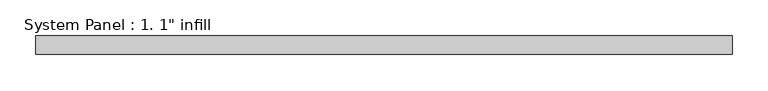
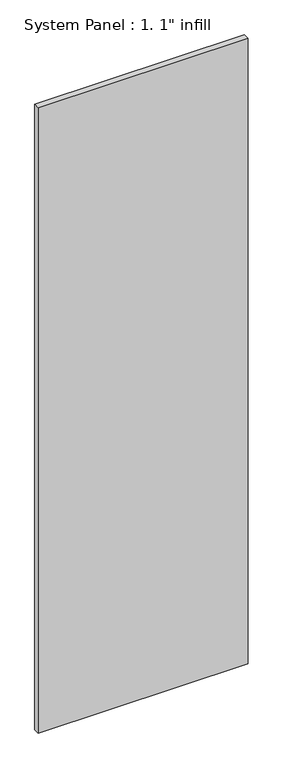
"""IFC4 building model written with IfcOpenShell, lengths in millimetres: plate geometry."""

from ifc_helpers import new_model, si_unit, origin, origin_with_axes, place, context, project, spatial, polyline, outline, extrude, source, transform, mapped, element, save


def plate_c84748dd(model_context):
    return source(origin(), model_context, "Body", "SweptSolid", [
        extrude(outline(polyline([(484.1875, -12.7), (-484.1875, -12.7), (-484.1875, 12.7), (484.1875, 12.7), (484.1875, -12.7)])), origin_with_axes(), (0.0, 0.0, 1.0), 3048.0),
    ])


if __name__ == "__main__":
    model = new_model("IFC4")
    model_context = context("Model", 3, world=origin())
    ifc_project = project(units=[si_unit("LENGTHUNIT", "METRE", prefix="MILLI")], contexts=[model_context])
    site = spatial("IfcSite", under=ifc_project)
    building = spatial("IfcBuilding", under=site)
    placement = place(None, origin())
    plate_shape = plate_c84748dd(model_context)
    element("IfcPlate", 1, ObjectType="System Panel : 1. 1\" infill", at=placement, inside=building, context=model_context, shape_type="MappedRepresentation", body=[
        mapped(plate_shape, transform((0.0, 0.0, 0.0), x_axis=(1.0, 0.0, 0.0), y_axis=(0.0, 1.0, 0.0), z_axis=(0.0, 0.0, 1.0))),
    ])
    save(model, "model.ifc")
